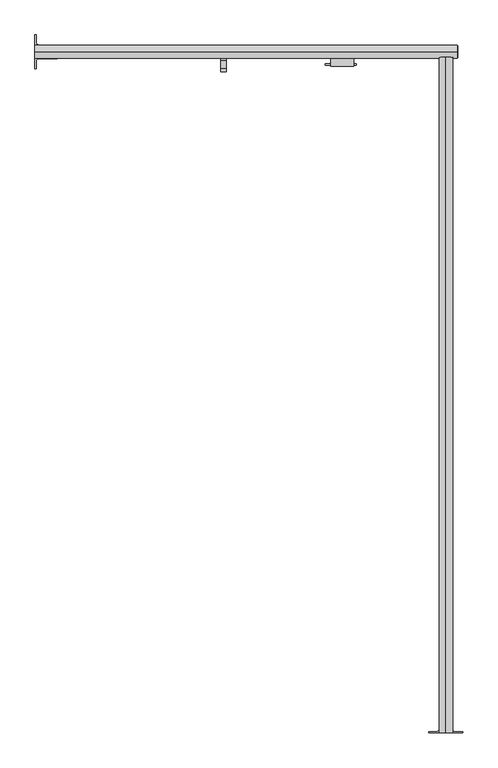
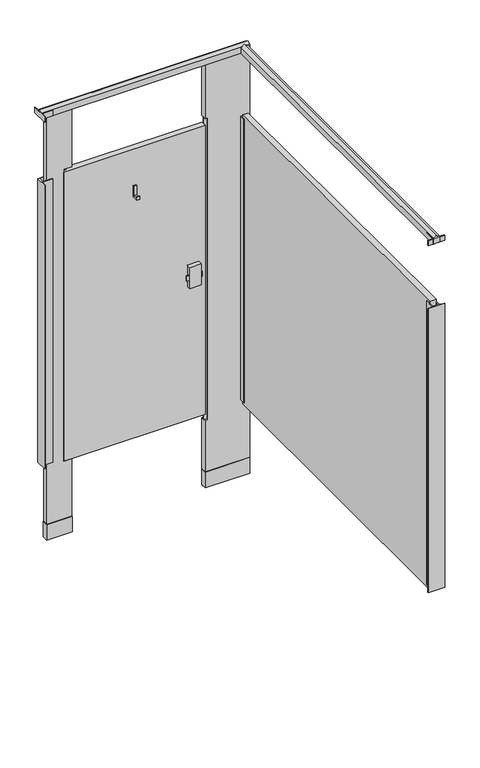
"""IFC4 building model written with IfcOpenShell, lengths in millimetres: proxy geometry."""

from ifc_helpers import new_model, si_unit, point, frame, frame_2d, origin, origin_with_axes, place, context, project, spatial, polyline, circle_curve, trimmed, segment, composite_curve, outline, extrude, source, transform, mapped, element, save


def specialty_equipment_3930bfd4(model_context):
    return source(origin(), model_context, "Body", "SweptSolid", [
        extrude(outline(composite_curve([segment(trimmed(circle_curve(frame_2d((307.0354547, 1533.525)), 4.1602747), [point((311.1957294, 1533.525))], [point((302.87518, 1533.525))], False, "CARTESIAN"), True, "CONTINUOUS"), segment(trimmed(circle_curve(frame_2d((307.0354547, 1533.525)), 4.1602747), [point((302.87518, 1533.525))], [point((311.1957294, 1533.525))], False, "CARTESIAN"), True, "CONTINUOUS")], self_intersect=False)), frame((0.0, 0.0, 1752.6), z_axis=(0.0, 0.0, 1.0), x_axis=(1.0, 0.0, 0.0)), (0.0, 0.0, 1.0), 12.7),
        extrude(outline(polyline([(915.4932592, 1506.2050203), (915.4932592, 1503.2324847), (845.4733709, 1503.2324847), (845.4733709, 1506.2050203), (915.4932592, 1506.2050203)])), frame((0.0, 0.0, 1041.4), z_axis=(0.0, 0.0, 1.0), x_axis=(1.0, 0.0, 0.0)), (0.0, 0.0, 1.0), 25.4),
        extrude(outline(polyline([(1520.8241724, 1525.7003365), (1489.0741724, 1525.7003365), (1489.0741724, 1538.4003365), (1495.4241724, 1538.4003365), (1495.4241724, 1532.0503365), (1514.4741724, 1532.0503365), (1514.4741724, 1576.5003365), (1520.8241724, 1576.5003365), (1520.8241724, 1525.7003365)])), frame((609.6002547, 0.0, 0.0), z_axis=(1.0, 0.0, 0.0), x_axis=(0.0, 1.0, 0.0)), (0.0, 0.0, 1.0), 12.7),
        extrude(outline(polyline([(909.6250547, 1520.8241724), (909.6250547, 1500.7465532), (858.1733709, 1500.7465532), (858.1733709, 1520.8241724), (909.6250547, 1520.8241724)])), frame((0.0, 0.0, 1003.3), z_axis=(0.0, 0.0, 1.0), x_axis=(1.0, 0.0, 0.0)), (0.0, 0.0, 1.0), 101.6),
        extrude(outline(composite_curve([segment(polyline([(2044.7, 1132.9672547), (2073.275, 1132.9672547)]), True, "CONTINUOUS"), segment(trimmed(circle_curve(frame_2d((2087.2314185, 1130.9824645)), 14.0968439), [point((2073.275, 1132.9672547))], [point((2082.8, 1117.6002547))], True, "CARTESIAN"), True, "CONTINUOUS"), segment(trimmed(circle_curve(frame_2d((2087.2314185, 1104.2180449)), 14.0968439), [point((2082.8, 1117.6002547))], [point((2073.275, 1102.2332547))], True, "CARTESIAN"), True, "CONTINUOUS"), segment(polyline([(2073.275, 1102.2332547), (2044.7, 1102.2332547), (2044.7, 1132.9672547)]), True, "CONTINUOUS")], self_intersect=False)), frame((0.0, -3.175, 0.0), z_axis=(0.0, 1.0, 0.0), x_axis=(0.0, 0.0, 1.0)), (0.0, 0.0, 1.0), 1524.0),
        extrude(outline(composite_curve([segment(polyline([(1155.7002547, -3.175), (1079.5002547, -3.175), (1079.5002547, -0.635), (1096.0102547, -0.635)]), True, "CONTINUOUS"), segment(trimmed(circle_curve(frame_2d((1096.0102547, 5.715)), 6.35), [point((1096.0102547, -0.635))], [point((1102.3602547, 5.715))], True, "CARTESIAN"), True, "CONTINUOUS"), segment(polyline([(1102.3602547, 5.715), (1102.3602547, 47.625), (1104.9002547, 47.625), (1104.9002547, 3.7728188), (1130.3002547, 3.7728188), (1130.3002547, 47.625), (1132.8402547, 47.625), (1132.8402547, 5.715)]), True, "CONTINUOUS"), segment(trimmed(circle_curve(frame_2d((1139.1902547, 5.715)), 6.35), [point((1132.8402547, 5.715))], [point((1139.1902547, -0.635))], True, "CARTESIAN"), True, "CONTINUOUS"), segment(polyline([(1139.1902547, -0.635), (1155.7002547, -0.635), (1155.7002547, -3.175)]), True, "CONTINUOUS")], self_intersect=False)), frame((0.0, 0.0, 2044.7), z_axis=(0.0, 0.0, 1.0), x_axis=(1.0, 0.0, 0.0)), (0.0, 0.0, 1.0), 25.4),
        extrude(outline(composite_curve([segment(polyline([(190.5002547, 1495.425), (190.5002547, 1571.625), (193.0402547, 1571.625), (193.0402547, 1555.115)]), True, "CONTINUOUS"), segment(trimmed(circle_curve(frame_2d((199.3902547, 1555.115)), 6.35), [point((193.0402547, 1555.115))], [point((199.3902547, 1548.765))], True, "CARTESIAN"), True, "CONTINUOUS"), segment(polyline([(199.3902547, 1548.765), (241.3002547, 1548.765), (241.3002547, 1546.225), (197.4480735, 1546.225), (197.4480735, 1520.825), (241.3002547, 1520.825), (241.3002547, 1518.285), (199.3902547, 1518.285)]), True, "CONTINUOUS"), segment(trimmed(circle_curve(frame_2d((199.3902547, 1511.935)), 6.35), [point((199.3902547, 1518.285))], [point((193.0402547, 1511.935))], True, "CARTESIAN"), True, "CONTINUOUS"), segment(polyline([(193.0402547, 1511.935), (193.0402547, 1495.425), (190.5002547, 1495.425)]), True, "CONTINUOUS")], self_intersect=False)), frame((0.0, 0.0, 2044.7), z_axis=(0.0, 0.0, 1.0), x_axis=(1.0, 0.0, 0.0)), (0.0, 0.0, 1.0), 25.4),
        extrude(outline(composite_curve([segment(polyline([(190.5002547, 1495.425), (190.5002547, 1548.765), (241.3002547, 1548.765), (241.3002547, 1546.225), (197.4480735, 1546.225), (197.4480735, 1520.825), (241.3002547, 1520.825), (241.3002547, 1518.285), (199.3902547, 1518.285)]), True, "CONTINUOUS"), segment(trimmed(circle_curve(frame_2d((199.3902547, 1511.935)), 6.35), [point((199.3902547, 1518.285))], [point((193.0402547, 1511.935))], True, "CARTESIAN"), True, "CONTINUOUS"), segment(polyline([(193.0402547, 1511.935), (193.0402547, 1495.425), (190.5002547, 1495.425)]), True, "CONTINUOUS")], self_intersect=False)), frame((0.0, 0.0, 368.3), z_axis=(0.0, 0.0, 1.0), x_axis=(1.0, 0.0, 0.0)), (0.0, 0.0, 1.0), 1371.6),
        extrude(outline(polyline([(1102.3602547, 1520.825), (1132.8402547, 1520.825), (1132.8402547, 1495.425), (1130.3002547, 1495.425), (1130.3002547, 1513.8771812), (1104.9002547, 1513.8771812), (1104.9002547, 1495.425), (1102.3602547, 1495.425), (1102.3602547, 1520.825)])), frame((0.0, 0.0, 368.3), z_axis=(0.0, 0.0, 1.0), x_axis=(1.0, 0.0, 0.0)), (0.0, 0.0, 1.0), 1371.6),
        extrude(outline(composite_curve([segment(polyline([(1155.7002547, -3.175), (1079.5002547, -3.175), (1079.5002547, -0.635), (1096.0102547, -0.635)]), True, "CONTINUOUS"), segment(trimmed(circle_curve(frame_2d((1096.0102547, 5.715)), 6.35), [point((1096.0102547, -0.635))], [point((1102.3602547, 5.715))], True, "CARTESIAN"), True, "CONTINUOUS"), segment(polyline([(1102.3602547, 5.715), (1102.3602547, 47.625), (1104.9002547, 47.625), (1104.9002547, 3.7728188), (1130.3002547, 3.7728188), (1130.3002547, 47.625), (1132.8402547, 47.625), (1132.8402547, 5.715)]), True, "CONTINUOUS"), segment(trimmed(circle_curve(frame_2d((1139.1902547, 5.715)), 6.35), [point((1132.8402547, 5.715))], [point((1139.1902547, -0.635))], True, "CARTESIAN"), True, "CONTINUOUS"), segment(polyline([(1139.1902547, -0.635), (1155.7002547, -0.635), (1155.7002547, -3.175)]), True, "CONTINUOUS")], self_intersect=False)), frame((0.0, 0.0, 368.3), z_axis=(0.0, 0.0, 1.0), x_axis=(1.0, 0.0, 0.0)), (0.0, 0.0, 1.0), 1371.6),
        extrude(outline(polyline([(214.9858547, 1519.9106), (214.9858547, 1547.1394), (331.1146547, 1547.1394), (331.1146547, 1519.9106), (214.9858547, 1519.9106)])), origin_with_axes(), (0.0, 0.0, 1.0), 76.2),
        extrude(outline(polyline([(938.8858547, 1519.9106), (938.8858547, 1547.1394), (1143.9146547, 1547.1394), (1143.9146547, 1519.9106), (938.8858547, 1519.9106)])), origin_with_axes(), (0.0, 0.0, 1.0), 76.2),
        extrude(outline(polyline([(939.8002547, 1530.35), (939.8002547, 1536.7), (952.5002547, 1536.7), (952.5002547, 1530.35), (939.8002547, 1530.35)])), frame((0.0, 0.0, 323.85), z_axis=(0.0, 0.0, 1.0), x_axis=(1.0, 0.0, 0.0)), (0.0, 0.0, 1.0), 1460.5),
        extrude(outline(polyline([(939.8002547, 1546.225), (939.8002547, 1520.825), (292.1002547, 1520.825), (292.1002547, 1546.225), (939.8002547, 1546.225)])), frame((0.0, 0.0, 355.6), z_axis=(0.0, 0.0, 1.0), x_axis=(1.0, 0.0, 0.0)), (0.0, 0.0, 1.0), 1397.0),
        extrude(outline(polyline([(2063.75, 1143.0002547), (2063.75, 939.8002547), (1784.35, 939.8002547), (1784.35, 952.5002547), (323.85, 952.5002547), (323.85, 939.8002547), (0.0, 939.8002547), (0.0, 1143.0002547), (2063.75, 1143.0002547)])), frame((0.0, 1520.825, 0.0), z_axis=(0.0, 1.0, 0.0), x_axis=(0.0, 0.0, 1.0)), (0.0, 0.0, 1.0), 25.4),
        extrude(outline(polyline([(2063.75, 330.2002547), (2063.75, 215.9002547), (0.0, 215.9002547), (0.0, 330.2002547), (355.6, 330.2002547), (355.6, 292.1002547), (1765.3, 292.1002547), (1765.3, 330.2002547), (2063.75, 330.2002547)])), frame((0.0, 1520.825, 0.0), z_axis=(0.0, 1.0, 0.0), x_axis=(0.0, 0.0, 1.0)), (0.0, 0.0, 1.0), 25.4),
        extrude(outline(polyline([(1104.9002547, 1508.125), (1130.3002547, 1508.125), (1130.3002547, 22.225), (1104.9002547, 22.225), (1104.9002547, 1508.125)])), frame((0.0, 0.0, 355.6), z_axis=(0.0, 0.0, 1.0), x_axis=(1.0, 0.0, 0.0)), (0.0, 0.0, 1.0), 1397.0),
        extrude(outline(composite_curve([segment(polyline([(1548.511, 2044.7), (1518.539, 2044.7), (1518.539, 2073.275)]), True, "CONTINUOUS"), segment(trimmed(circle_curve(frame_2d((1516.9910036, 2092.262001)), 19.05), [point((1518.539, 2073.275))], [point((1533.525, 2082.8))], True, "CARTESIAN"), True, "CONTINUOUS"), segment(trimmed(circle_curve(frame_2d((1550.0589964, 2092.262001)), 19.05), [point((1533.525, 2082.8))], [point((1548.511, 2073.275))], True, "CARTESIAN"), True, "CONTINUOUS"), segment(polyline([(1548.511, 2073.275), (1548.511, 2044.7)]), True, "CONTINUOUS")], self_intersect=False)), frame((190.5002547, 0.0, 0.0), z_axis=(1.0, 0.0, 0.0), x_axis=(0.0, 1.0, 0.0)), (0.0, 0.0, 1.0), 952.5),
    ])


if __name__ == "__main__":
    model = new_model("IFC4")
    model_context = context("Model", 3, world=origin())
    ifc_project = project(units=[si_unit("LENGTHUNIT", "METRE", prefix="MILLI")], contexts=[model_context])
    site = spatial("IfcSite", under=ifc_project)
    building = spatial("IfcBuilding", under=site)
    placement = place(None, origin())
    specialty_equipment_shape = specialty_equipment_3930bfd4(model_context)
    element("IfcBuildingElementProxy", 1, Name="Specialty Equipment", at=placement, inside=building, context=model_context, shape_type="MappedRepresentation", body=[
        mapped(specialty_equipment_shape, transform((0.0, 0.0, 0.0), x_axis=(1.0, 0.0, 0.0), y_axis=(0.0, 1.0, 0.0), z_axis=(0.0, 0.0, 1.0))),
    ])
    save(model, "model.ifc")
